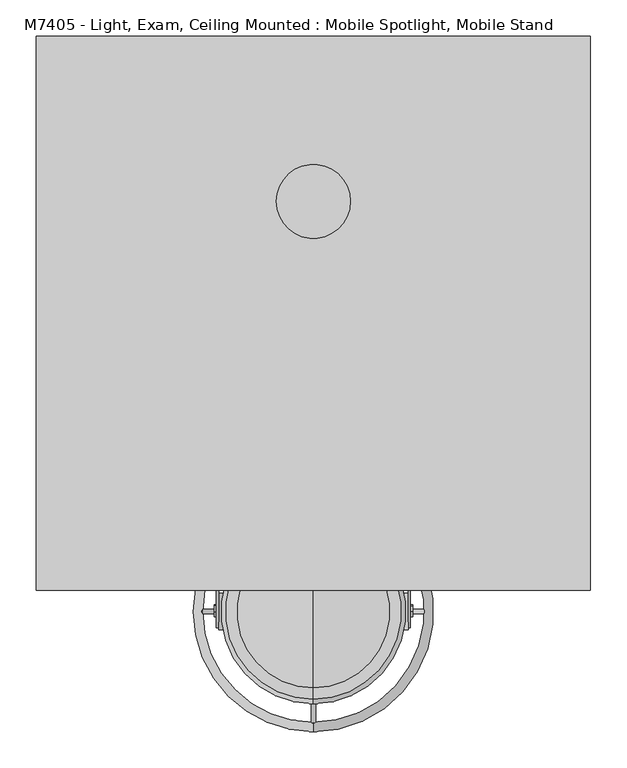
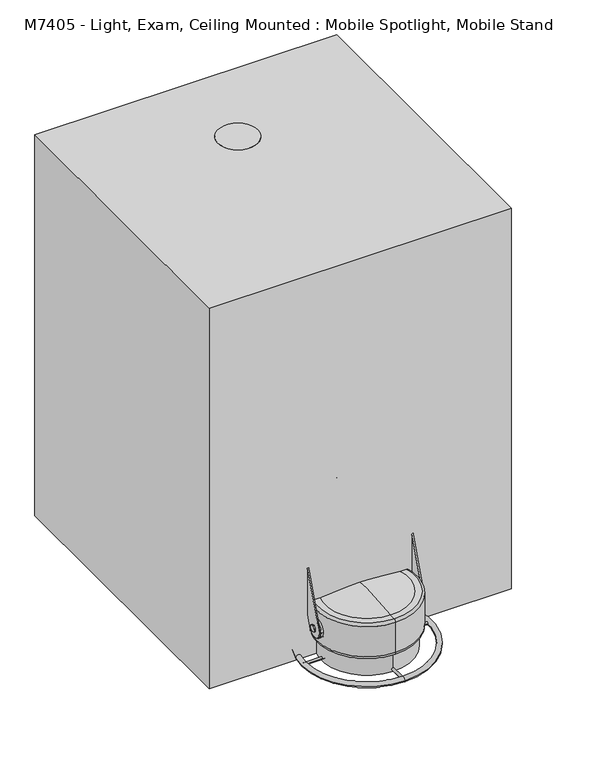
"""IFC4 building model written with IfcOpenShell, lengths in millimetres: proxy geometry, M7405 - Light, Exam, Ceiling Mounted : Mobile Spotlight, Mobile Stand."""

from ifc_helpers import new_model, si_unit, point, frame, frame_2d, origin, origin_with_axes, place, context, project, spatial, polyline, circle_curve, ellipse_curve, trimmed, segment, composite_curve, outline, extrude, source, transform, mapped, element, save
from ifc_brep_helpers import plane_surface, cylinder_surface, revolved_surface, advanced_brep


def m7405_light_exam_ceiling_mounted_mobile_spotlight_mobile_c4bc05fb(model_context):
    return source(origin(), model_context, "Body", "SolidModel", [
        extrude(outline(composite_curve([segment(trimmed(circle_curve(frame_2d((0.0, 154.0513373)), 50.8), [point((-50.8, 154.0513373))], [point((50.8, 154.0513373))], False, "CARTESIAN"), True, "CONTINUOUS"), segment(trimmed(circle_curve(frame_2d((0.0, 154.0513373)), 50.8), [point((50.8, 154.0513373))], [point((-50.8, 154.0513373))], False, "CARTESIAN"), True, "CONTINUOUS")], self_intersect=False)), frame((0.0, 0.0, 812.8), z_axis=(0.0, 0.0, 1.0), x_axis=(1.0, 0.0, 0.0)), (0.0, 0.0, 1.0), 203.2),
        extrude(outline(composite_curve([segment(polyline([(-320.8438779, 289.113013), (-347.9441775, 298.9767153), (-321.0290623, 372.9253866)]), True, "CONTINUOUS"), segment(trimmed(circle_curve(frame_2d((-301.8214919, 347.6443316)), 31.75), [point((-321.0290623, 372.9253866))], [point((-310.6414379, 317.1439865))], False, "CARTESIAN"), True, "CONTINUOUS"), segment(polyline([(-310.6414379, 317.1439865), (-320.8438779, 289.113013)]), True, "CONTINUOUS")], self_intersect=False)), frame((3.0328617, 0.0, 0.0), z_axis=(1.0, 0.0, 0.0), x_axis=(0.0, 1.0, 0.0)), (0.0, 0.0, 1.0), 3.175),
        extrude(outline(polyline([(-410.2378307, 101.7878967), (-401.8641443, 98.740124), (-400.3167496, 89.9644126), (-407.1430413, 84.2364737), (-415.5167277, 87.2842463), (-417.0641224, 96.0599578), (-410.2378307, 101.7878967)])), frame((133.35, 0.0, 0.0), z_axis=(1.0, 0.0, 0.0), x_axis=(0.0, 1.0, 0.0)), (0.0, 0.0, 1.0), 3.175),
        extrude(outline(composite_curve([segment(trimmed(circle_curve(frame_2d((-409.7956194, 93.9925613)), 25.4), [point((-384.3956194, 93.9925613))], [point((-435.1956194, 93.9925613))], False, "CARTESIAN"), True, "CONTINUOUS"), segment(trimmed(circle_curve(frame_2d((-409.7956194, 93.9925613)), 25.4), [point((-435.1956194, 93.9925613))], [point((-384.3956194, 93.9925613))], False, "CARTESIAN"), True, "CONTINUOUS")], self_intersect=False)), frame((119.7355643, 0.0, 0.0), z_axis=(1.0, 0.0, 0.0), x_axis=(0.0, 1.0, 0.0)), (0.0, 0.0, 1.0), 10.4394357),
        extrude(outline(composite_curve([segment(polyline([(-318.7447163, 288.3489806), (-393.8187187, 82.0848543)]), True, "CONTINUOUS"), segment(trimmed(circle_curve(frame_2d((-411.8037803, 91.5808184)), 20.3380376), [point((-393.8187187, 82.0848543))], [point((-431.8954182, 94.7370604))], False, "CARTESIAN"), True, "CONTINUOUS"), segment(polyline([(-431.8954182, 94.7370604), (-359.2691307, 294.2761451)]), True, "CONTINUOUS"), segment(trimmed(circle_curve(frame_2d((-351.478653, 291.4406431)), 8.2904533), [point((-359.2691307, 294.2761451))], [point((-348.6431509, 299.2311209))], False, "CARTESIAN"), True, "CONTINUOUS"), segment(polyline([(-348.6431509, 299.2311209), (-318.7447163, 288.3489806)]), True, "CONTINUOUS")], self_intersect=False), holes=[composite_curve([segment(trimmed(circle_curve(frame_2d((-408.9799804, 93.8561619)), 4.6125063), [point((-404.3674741, 93.8561619))], [point((-413.5924866, 93.8561619))], True, "CARTESIAN"), True, "CONTINUOUS"), segment(trimmed(circle_curve(frame_2d((-408.9799804, 93.8561619)), 4.6125063), [point((-413.5924866, 93.8561619))], [point((-404.3674741, 93.8561619))], True, "CARTESIAN"), True, "CONTINUOUS")], self_intersect=False)]), frame((130.175, 0.0, 0.0), z_axis=(1.0, 0.0, 0.0), x_axis=(0.0, 1.0, 0.0)), (0.0, 0.0, 1.0), 3.175),
        extrude(outline(polyline([(-410.2378307, 101.7878967), (-401.8641443, 98.740124), (-400.3167496, 89.9644126), (-407.1430413, 84.2364737), (-415.5167277, 87.2842463), (-417.0641224, 96.0599578), (-410.2378307, 101.7878967)])), frame((-136.525, 0.0, 0.0), z_axis=(1.0, 0.0, 0.0), x_axis=(0.0, 1.0, 0.0)), (0.0, 0.0, 1.0), 3.175),
        extrude(outline(composite_curve([segment(polyline([(-318.7447163, 288.3489806), (-329.6038559, 258.5137399), (-367.2927683, 272.2313822), (-359.5235363, 293.5771717)]), True, "CONTINUOUS"), segment(trimmed(circle_curve(frame_2d((-351.034085, 290.4872641)), 9.0342853), [point((-359.5235363, 293.5771717))], [point((-347.9441775, 298.9767153))], False, "CARTESIAN"), True, "CONTINUOUS"), segment(polyline([(-347.9441775, 298.9767153), (-318.7447163, 288.3489806)]), True, "CONTINUOUS")], self_intersect=False)), frame((-130.175, 0.0, 0.0), z_axis=(1.0, 0.0, 0.0), x_axis=(0.0, 1.0, 0.0)), (0.0, 0.0, 1.0), 260.35),
        extrude(outline(composite_curve([segment(trimmed(circle_curve(frame_2d((-409.7956194, 93.9925613)), 25.4), [point((-384.3956194, 93.9925613))], [point((-435.1956194, 93.9925613))], False, "CARTESIAN"), True, "CONTINUOUS"), segment(trimmed(circle_curve(frame_2d((-409.7956194, 93.9925613)), 25.4), [point((-435.1956194, 93.9925613))], [point((-384.3956194, 93.9925613))], False, "CARTESIAN"), True, "CONTINUOUS")], self_intersect=False)), frame((-130.175, 0.0, 0.0), z_axis=(1.0, 0.0, 0.0), x_axis=(0.0, 1.0, 0.0)), (0.0, 0.0, 1.0), 10.4394357),
        extrude(outline(composite_curve([segment(polyline([(-318.7447163, 288.3489806), (-393.8187187, 82.0848543)]), True, "CONTINUOUS"), segment(trimmed(circle_curve(frame_2d((-411.8037803, 91.5808184)), 20.3380376), [point((-393.8187187, 82.0848543))], [point((-431.8954182, 94.7370604))], False, "CARTESIAN"), True, "CONTINUOUS"), segment(polyline([(-431.8954182, 94.7370604), (-359.2019908, 294.4606105)]), True, "CONTINUOUS"), segment(trimmed(circle_curve(frame_2d((-351.5959784, 291.6922483)), 8.0941494), [point((-359.2019908, 294.4606105))], [point((-348.8276163, 299.2982608))], False, "CARTESIAN"), True, "CONTINUOUS"), segment(polyline([(-348.8276163, 299.2982608), (-318.7447163, 288.3489806)]), True, "CONTINUOUS")], self_intersect=False), holes=[composite_curve([segment(trimmed(circle_curve(frame_2d((-408.9799804, 93.8561619)), 4.6125063), [point((-404.3674741, 93.8561619))], [point((-413.5924866, 93.8561619))], True, "CARTESIAN"), True, "CONTINUOUS"), segment(trimmed(circle_curve(frame_2d((-408.9799804, 93.8561619)), 4.6125063), [point((-413.5924866, 93.8561619))], [point((-404.3674741, 93.8561619))], True, "CARTESIAN"), True, "CONTINUOUS")], self_intersect=False)]), frame((-133.35, 0.0, 0.0), z_axis=(1.0, 0.0, 0.0), x_axis=(0.0, 1.0, 0.0)), (0.0, 0.0, 1.0), 3.175),
        extrude(outline(composite_curve([segment(trimmed(circle_curve(frame_2d((6.6703739, 0.0)), 3.1115171), [point((6.6703739, -3.1115171))], [point((6.6703739, 3.1115171))], False, "CARTESIAN"), True, "CONTINUOUS"), segment(trimmed(circle_curve(frame_2d((6.6703739, 0.0)), 3.1115171), [point((6.6703739, 3.1115171))], [point((6.6703739, -3.1115171))], False, "CARTESIAN"), True, "CONTINUOUS")], self_intersect=False)), frame((0.0, -303.7762367, 0.0), z_axis=(0.0, 1.0, 0.0), x_axis=(0.0, 0.0, 1.0)), (0.0, 0.0, 1.0), 47.9759895),
        extrude(outline(composite_curve([segment(trimmed(circle_curve(frame_2d((6.6703739, 0.0)), 3.1115171), [point((6.6703739, -3.1115171))], [point((6.6703739, 3.1115171))], False, "CARTESIAN"), True, "CONTINUOUS"), segment(trimmed(circle_curve(frame_2d((6.6703739, 0.0)), 3.1115171), [point((6.6703739, 3.1115171))], [point((6.6703739, -3.1115171))], False, "CARTESIAN"), True, "CONTINUOUS")], self_intersect=False)), frame((0.0, -563.6159059, 0.0), z_axis=(0.0, 1.0, 0.0), x_axis=(0.0, 0.0, 1.0)), (0.0, 0.0, 1.0), 47.9759895),
        extrude(outline(composite_curve([segment(trimmed(circle_curve(frame_2d((-409.7956194, 6.6703739)), 3.1115171), [point((-406.6841023, 6.6703739))], [point((-412.9071365, 6.6703739))], False, "CARTESIAN"), True, "CONTINUOUS"), segment(trimmed(circle_curve(frame_2d((-409.7956194, 6.6703739)), 3.1115171), [point((-412.9071365, 6.6703739))], [point((-406.6841023, 6.6703739))], False, "CARTESIAN"), True, "CONTINUOUS")], self_intersect=False)), frame((106.1163464, 0.0, 0.0), z_axis=(1.0, 0.0, 0.0), x_axis=(0.0, 1.0, 0.0)), (0.0, 0.0, 1.0), 48.2948153),
        extrude(outline(composite_curve([segment(trimmed(circle_curve(frame_2d((-409.7956194, 6.6703739)), 3.1115171), [point((-406.6841023, 6.6703739))], [point((-412.9071365, 6.6703739))], False, "CARTESIAN"), True, "CONTINUOUS"), segment(trimmed(circle_curve(frame_2d((-409.7956194, 6.6703739)), 3.1115171), [point((-412.9071365, 6.6703739))], [point((-406.6841023, 6.6703739))], False, "CARTESIAN"), True, "CONTINUOUS")], self_intersect=False)), frame((-158.9234108, 0.0, 0.0), z_axis=(1.0, 0.0, 0.0), x_axis=(0.0, 1.0, 0.0)), (0.0, 0.0, 1.0), 51.44221),
        advanced_brep(
        [(0.0, -562.2748808, 6.35), (0.0, -257.2936395, 6.35), (0.0, -244.5936395, 6.35), (0.0, -574.9748808, 6.35)],
        [
            (0, 1, circle_curve(frame((0.0, -409.7842601, 6.35), z_axis=(0.0, 0.0, -1.0), x_axis=(0.0, 1.0, 0.0)), 152.4906207)),
            (1, 2, circle_curve(frame((0.0, -250.9436395, 6.35), z_axis=(-1.0, 0.0, 0.0), x_axis=(0.0, -1.0, 0.0)), 6.35)),
            (2, 3, circle_curve(frame((0.0, -409.7842601, 6.35), z_axis=(0.0, 0.0, 1.0), x_axis=(0.0, 1.0, 0.0)), 165.1906207)),
            (3, 0, circle_curve(frame((0.0, -568.6248808, 6.35), z_axis=(-1.0, 0.0, 0.0), x_axis=(0.0, 1.0, 0.0)), 6.35)),
            (2, 1, circle_curve(frame((0.0, -250.9436395, 6.35), z_axis=(-1.0, 0.0, 0.0), x_axis=(0.0, -1.0, 0.0)), 6.35)),
            (0, 3, circle_curve(frame((0.0, -568.6248808, 6.35), z_axis=(-1.0, 0.0, 0.0), x_axis=(0.0, 1.0, 0.0)), 6.35)),
            (1, 0, circle_curve(frame((0.0, -409.7842601, 6.35), z_axis=(0.0, 0.0, -1.0), x_axis=(0.0, -1.0, 0.0)), 152.4906207)),
            (3, 2, circle_curve(frame((0.0, -409.7842601, 6.35), z_axis=(0.0, 0.0, 1.0), x_axis=(0.0, -1.0, 0.0)), 165.1906207)),
        ],
        [
            revolved_surface(trimmed(ellipse_curve(frame((0.0, -250.9436395, 6.35), z_axis=(1.0, 0.0, 0.0), x_axis=(0.0, -1.0, 0.0)), 6.35, 6.35), [point((0.0, -244.5936395, 6.35))], [point((0.0, -257.2936395, 6.35))], True, "CARTESIAN"), (0.0, -409.7842601, 6.35), (0.0, 0.0, 1.0)),
            revolved_surface(trimmed(ellipse_curve(frame((0.0, -250.9436395, 6.35), z_axis=(1.0, 0.0, 0.0), x_axis=(0.0, -1.0, 0.0)), 6.35, 6.35), [point((0.0, -257.2936395, 6.35))], [point((0.0, -244.5936395, 6.35))], True, "CARTESIAN"), (0.0, -409.7842601, 6.35), (0.0, 0.0, 1.0)),
            revolved_surface(trimmed(ellipse_curve(frame((0.0, -568.6248808, 6.35), z_axis=(-1.0, 0.0, 0.0), x_axis=(0.0, 1.0, 0.0)), 6.35, 6.35), [point((0.0, -574.9748808, 6.35))], [point((0.0, -562.2748808, 6.35))], True, "CARTESIAN"), (0.0, -409.7842601, 6.35), (0.0, 0.0, 1.0)),
            revolved_surface(trimmed(ellipse_curve(frame((0.0, -568.6248808, 6.35), z_axis=(-1.0, 0.0, 0.0), x_axis=(0.0, 1.0, 0.0)), 6.35, 6.35), [point((0.0, -562.2748808, 6.35))], [point((0.0, -574.9748808, 6.35))], True, "CARTESIAN"), (0.0, -409.7842601, 6.35), (0.0, 0.0, 1.0)),
        ],
        [
            (0, [[1, 2, 3, 4]]),
            (1, [[-3, 5, -1, 6]]),
            (2, [[7, -4, 8, -2]]),
            (3, [[-8, -6, -7, -5]]),
        ],
    ),
        advanced_brep(
        [(0.0, -409.7956194, 49.822953), (0.0, -524.0956194, 49.822953), (0.0, -295.4956194, 49.822953), (0.0, -301.8456194, 43.472953), (0.0, -517.7456194, 43.472953), (0.0, -409.7956194, 43.472953), (0.0, -301.8456194, 0.2035953), (0.0, -517.7456194, 0.2035953), (0.0, -295.4956194, 0.2035953), (0.0, -524.0956194, 0.2035953)],
        [
            (0, 1),
            (1, 2, circle_curve(frame((0.0, -409.7956194, 49.822953), z_axis=(0.0, 0.0, 1.0), x_axis=(0.0, -1.0, 0.0)), 114.3)),
            (2, 0),
            (2, 1, circle_curve(frame((0.0, -409.7956194, 49.822953), z_axis=(0.0, 0.0, 1.0), x_axis=(0.0, -1.0, 0.0)), 114.3)),
            (3, 4, circle_curve(frame((0.0, -409.7956194, 43.472953), z_axis=(0.0, 0.0, -1.0), x_axis=(0.0, -1.0, 0.0)), 107.95)),
            (4, 5),
            (5, 3),
            (4, 3, circle_curve(frame((0.0, -409.7956194, 43.472953), z_axis=(0.0, 0.0, -1.0), x_axis=(0.0, -1.0, 0.0)), 107.95)),
            (6, 7, circle_curve(frame((0.0, -409.7956194, 0.2035953), z_axis=(0.0, 0.0, -1.0), x_axis=(0.0, -1.0, 0.0)), 107.95)),
            (7, 4),
            (3, 6),
            (7, 6, circle_curve(frame((0.0, -409.7956194, 0.2035953), z_axis=(0.0, 0.0, -1.0), x_axis=(0.0, -1.0, 0.0)), 107.95)),
            (8, 9, circle_curve(frame((0.0, -409.7956194, 0.2035953), z_axis=(0.0, 0.0, -1.0), x_axis=(0.0, -1.0, 0.0)), 114.3)),
            (9, 7),
            (6, 8),
            (9, 8, circle_curve(frame((0.0, -409.7956194, 0.2035953), z_axis=(0.0, 0.0, -1.0), x_axis=(0.0, -1.0, 0.0)), 114.3)),
            (1, 9),
            (8, 2),
        ],
        [
            plane_surface(frame((0.0, -409.7956194, 49.822953), z_axis=(0.0, 0.0, 1.0), x_axis=(0.0, -1.0, 0.0))),
            plane_surface(frame((0.0, -409.7956194, 43.472953), z_axis=(0.0, 0.0, -1.0), x_axis=(0.0, -1.0, 0.0))),
            revolved_surface(polyline([(0.0, -517.7456194, 43.472953), (0.0, -517.7456194, 0.20359530000000348)]), (0.0, -409.7956194, 49.822953), (0.0, 0.0, 1.0)),
            plane_surface(frame((0.0, -409.7956194, 0.2035953), z_axis=(0.0, 0.0, -1.0), x_axis=(0.0, -1.0, 0.0))),
            cylinder_surface(frame((0.0, -409.7956194, 49.822953), z_axis=(0.0, 0.0, 1.0), x_axis=(0.0, -1.0, 0.0)), 114.3),
        ],
        [
            (0, [[1, 2, 3]]),
            (0, [[-3, 4, -1]]),
            (1, [[5, 6, 7]]),
            (1, [[8, -7, -6]]),
            (2, [[9, 10, -5, 11]]),
            (2, [[12, -11, -8, -10]]),
            (3, [[13, 14, -9, 15]]),
            (3, [[16, -15, -12, -14]]),
            (4, [[-2, 17, -13, 18]]),
            (4, [[-4, -18, -16, -17]]),
        ],
    ),
        advanced_brep(
        [(0.0, -305.0372075, 145.072953), (0.0, -514.5313128, 145.072953), (0.0, -409.7842601, 145.072953), (0.0, -409.7842601, 154.2371327)],
        [
            (0, 1, circle_curve(frame((0.0, -409.7842601, 145.072953), z_axis=(0.0, 0.0, -1.0), x_axis=(0.0, -1.0, 0.0)), 104.7470526)),
            (1, 2),
            (2, 0),
            (1, 0, circle_curve(frame((0.0, -409.7842601, 145.072953), z_axis=(0.0, 0.0, -1.0), x_axis=(0.0, -1.0, 0.0)), 104.7470526)),
            (3, 1, circle_curve(frame((0.0, -399.752343, -563.6424396), z_axis=(1.0, 0.0, 0.0), x_axis=(0.0, -1.0, 0.0)), 717.9496637)),
            (0, 3, circle_curve(frame((0.0, -419.8161773, -563.6424396), z_axis=(1.0, 0.0, 0.0), x_axis=(0.0, 1.0, 0.0)), 717.9496637)),
        ],
        [
            plane_surface(frame((0.0, -409.7842601, 145.072953), z_axis=(0.0, 0.0, -1.0), x_axis=(0.0, -1.0, 0.0))),
            revolved_surface(trimmed(ellipse_curve(frame((0.0, -399.752343, -563.6424396), z_axis=(-1.0, 0.0, 0.0), x_axis=(0.0, -1.0, 0.0)), 717.9496637, 717.9496637), [point((0.0, -514.5313128, 145.072953))], [point((0.0, -409.7842601, 154.2371327))], True, "CARTESIAN"), (0.0, -409.7842601, 154.2371327), (0.0, 0.0, 1.0)),
        ],
        [
            (0, [[1, 2, 3]]),
            (0, [[4, -3, -2]]),
            (1, [[5, -1, 6]]),
            (1, [[-6, -4, -5]]),
        ],
    ),
        advanced_brep(
        [(0.0, -409.7956194, 145.072953), (0.0, -530.4456194, 145.072953), (0.0, -289.1456194, 145.072953), (0.0, -291.5731093, 49.822953), (0.0, -528.0181295, 49.822953), (0.0, -409.7956194, 49.822953), (0.0, -282.7956194, 58.6004429), (0.0, -536.7956194, 58.6004429), (0.0, -282.7956194, 138.722953), (0.0, -536.7956194, 138.722953)],
        [
            (0, 1),
            (1, 2, circle_curve(frame((0.0, -409.7956194, 145.072953), z_axis=(0.0, 0.0, 1.0), x_axis=(0.0, -1.0, 0.0)), 120.65)),
            (2, 0),
            (2, 1, circle_curve(frame((0.0, -409.7956194, 145.072953), z_axis=(0.0, 0.0, 1.0), x_axis=(0.0, -1.0, 0.0)), 120.65)),
            (3, 4, circle_curve(frame((0.0, -409.7956194, 49.822953), z_axis=(0.0, 0.0, -1.0), x_axis=(0.0, -1.0, 0.0)), 118.2225101)),
            (4, 5),
            (5, 3),
            (4, 3, circle_curve(frame((0.0, -409.7956194, 49.822953), z_axis=(0.0, 0.0, -1.0), x_axis=(0.0, -1.0, 0.0)), 118.2225101)),
            (6, 7, circle_curve(frame((0.0, -409.7956194, 58.6004429), z_axis=(0.0, 0.0, -1.0), x_axis=(0.0, -1.0, 0.0)), 127.0)),
            (7, 4, circle_curve(frame((0.0, -528.0181295, 58.6004429), z_axis=(1.0, 0.0, 0.0), x_axis=(0.0, -1.0, 0.0)), 8.7774899)),
            (3, 6, circle_curve(frame((0.0, -291.5731093, 58.6004429), z_axis=(1.0, 0.0, 0.0), x_axis=(0.0, 1.0, 0.0)), 8.7774899)),
            (7, 6, circle_curve(frame((0.0, -409.7956194, 58.6004429), z_axis=(0.0, 0.0, -1.0), x_axis=(0.0, -1.0, 0.0)), 127.0)),
            (8, 9, circle_curve(frame((0.0, -409.7956194, 138.722953), z_axis=(0.0, 0.0, -1.0), x_axis=(0.0, -1.0, 0.0)), 127.0)),
            (9, 7),
            (6, 8),
            (9, 8, circle_curve(frame((0.0, -409.7956194, 138.722953), z_axis=(0.0, 0.0, -1.0), x_axis=(0.0, -1.0, 0.0)), 127.0)),
            (1, 9, circle_curve(frame((0.0, -530.4456194, 138.722953), z_axis=(1.0, 0.0, 0.0), x_axis=(0.0, -1.0, 0.0)), 6.35)),
            (8, 2, circle_curve(frame((0.0, -289.1456194, 138.722953), z_axis=(1.0, 0.0, 0.0), x_axis=(0.0, 1.0, 0.0)), 6.35)),
        ],
        [
            plane_surface(frame((0.0, -409.7956194, 145.072953), z_axis=(0.0, 0.0, 1.0), x_axis=(0.0, -1.0, 0.0))),
            plane_surface(frame((0.0, -409.7956194, 49.822953), z_axis=(0.0, 0.0, -1.0), x_axis=(0.0, -1.0, 0.0))),
            revolved_surface(trimmed(ellipse_curve(frame((0.0, -528.0181295, 58.6004429), z_axis=(-1.0, 0.0, 0.0), x_axis=(0.0, -1.0, 0.0)), 8.7774899, 8.7774899), [point((0.0, -528.0181295, 49.822953))], [point((0.0, -536.7956194, 58.6004429))], True, "CARTESIAN"), (0.0, -409.7956194, 145.072953), (0.0, 0.0, 1.0)),
            cylinder_surface(frame((0.0, -409.7956194, 145.072953), z_axis=(0.0, 0.0, 1.0), x_axis=(0.0, -1.0, 0.0)), 127.0),
            revolved_surface(trimmed(ellipse_curve(frame((0.0, -530.4456194, 138.722953), z_axis=(-1.0, 0.0, 0.0), x_axis=(0.0, -1.0, 0.0)), 6.35, 6.35), [point((0.0, -536.7956194, 138.722953))], [point((0.0, -530.4456194, 145.072953))], True, "CARTESIAN"), (0.0, -409.7956194, 145.072953), (0.0, 0.0, 1.0)),
        ],
        [
            (0, [[1, 2, 3]]),
            (0, [[-3, 4, -1]]),
            (1, [[5, 6, 7]]),
            (1, [[8, -7, -6]]),
            (2, [[9, 10, -5, 11]]),
            (2, [[12, -11, -8, -10]]),
            (3, [[13, 14, -9, 15]]),
            (3, [[16, -15, -12, -14]]),
            (4, [[-2, 17, -13, 18]]),
            (4, [[-4, -18, -16, -17]]),
        ],
    ),
        extrude(outline(composite_curve([segment(polyline([(-320.8438779, 289.113013), (-347.9441775, 298.9767153), (-321.0290623, 372.9253866)]), True, "CONTINUOUS"), segment(trimmed(circle_curve(frame_2d((-301.8214919, 347.6443316)), 31.75), [point((-321.0290623, 372.9253866))], [point((-310.6414379, 317.1439865))], False, "CARTESIAN"), True, "CONTINUOUS"), segment(polyline([(-310.6414379, 317.1439865), (-320.8438779, 289.113013)]), True, "CONTINUOUS")], self_intersect=False)), frame((-6.2078617, 0.0, 0.0), z_axis=(1.0, 0.0, 0.0), x_axis=(0.0, 1.0, 0.0)), (0.0, 0.0, 1.0), 3.175),
        advanced_brep(
        [(18.8761969, -106.0950286, 407.9061734), (18.8761969, -120.4447949, 428.8652872), (18.8761969, 108.1187633, 585.0473059), (18.8761969, 122.1839845, 564.5037955), (18.8761969, -123.5489136, 411.3481583), (18.8761969, 125.4137888, 581.8017664)],
        [
            (0, 1, circle_curve(frame((18.8761969, -113.2699118, 418.3857303), z_axis=(0.0, 0.8251362275277749, 0.5649338067607851), x_axis=(0.0, -0.5649338067607852, 0.8251362275277752)), 12.7003961)),
            (1, 2),
            (2, 3, circle_curve(frame((18.8761969, 115.1513739, 574.7755507), z_axis=(0.0, -0.8251362275277749, -0.5649338067607851), x_axis=(0.0, -0.5649338067607852, 0.8251362275277752)), 12.4485568)),
            (3, 0),
            (1, 0, circle_curve(frame((18.8761969, -113.2699118, 418.3857303), z_axis=(0.0, 0.8251362275277749, 0.5649338067607851), x_axis=(0.0, -0.5649338067607852, 0.8251362275277752)), 12.7003961)),
            (3, 2, circle_curve(frame((18.8761969, 115.1513739, 574.7755507), z_axis=(0.0, -0.8251362275277749, -0.5649338067607851), x_axis=(0.0, -0.5649338067607852, 0.8251362275277752)), 12.4485568)),
            (4, 1, circle_curve(frame((18.8761969, -113.4215288, 418.5871343), z_axis=(-1.0000000000000004, 0.0, 0.0), x_axis=(0.0, -0.9271838545667876, -0.37460659341591207)), 12.448562)),
            (0, 4, circle_curve(frame((18.8761969, -113.1369837, 418.1715308), z_axis=(-1.0000000000000004, 0.0, 0.0), x_axis=(0.0, -0.6846057598694317, -0.7289135432639445)), 12.448562)),
            (2, 5, circle_curve(frame((18.8761969, 115.1420294, 574.7691529), z_axis=(-1.0000000000000004, 0.0, 0.0), x_axis=(0.0, -0.9271838545667876, -0.37460659341591207)), 12.448562)),
            (5, 3, circle_curve(frame((18.8761969, 115.1420294, 574.7691529), z_axis=(-1.0000000000000004, 0.0, 0.0), x_axis=(0.0, -0.6846057598694317, -0.7289135432639445)), 12.448562)),
        ],
        [
            revolved_surface(polyline([(18.8761969, 108.1187633, 585.0473059), (18.8761969, -120.4447949, 428.8652872)]), (18.8761969, 125.4137888, 581.8017664), (0.0, -0.8251362275277749, -0.5649338067607851)),
            revolved_surface(trimmed(ellipse_curve(frame((18.8761969, -113.4215288, 418.5871343), z_axis=(1.0000000000000004, 0.0, 0.0), x_axis=(0.0, -0.9271838545667876, -0.37460659341591207)), 12.448562, 12.448562), [point((18.8761969, -120.4447949, 428.8652872))], [point((18.8761969, -123.5489136, 411.3481583))], True, "CARTESIAN"), (18.8761969, 125.4137888, 581.8017664), (0.0, -0.8251362275277749, -0.5649338067607851)),
            revolved_surface(trimmed(ellipse_curve(frame((18.8761969, -113.4215288, 418.5871343), z_axis=(1.0000000000000002, 0.0, 0.0), x_axis=(0.0, -0.9271838545667875, -0.3746065934159119)), 12.448562, 12.448562), [point((18.8761969, -120.4447949, 428.8652872))], [point((18.8761969, -123.5489136, 411.3481583))], True, "CARTESIAN"), (18.8761969, 125.4137888, 581.8017664), (0.0, -0.8251362275277749, -0.5649338067607851)),
            revolved_surface(trimmed(ellipse_curve(frame((18.8761969, 115.1420294, 574.7691529), z_axis=(1.0000000000000004, 0.0, 0.0), x_axis=(0.0, -0.9271838545667876, -0.37460659341591207)), 12.448562, 12.448562), [point((18.8761969, 125.4137888, 581.8017664))], [point((18.8761969, 108.1187633, 585.0473059))], True, "CARTESIAN"), (18.8761969, 125.4137888, 581.8017664), (0.0, -0.8251362275277749, -0.5649338067607851)),
            revolved_surface(trimmed(ellipse_curve(frame((18.8761969, 115.1420294, 574.7691529), z_axis=(1.0000000000000002, 0.0, 0.0), x_axis=(0.0, -0.9271838545667875, -0.3746065934159119)), 12.448562, 12.448562), [point((18.8761969, 125.4137888, 581.8017664))], [point((18.8761969, 108.1187633, 585.0473059))], True, "CARTESIAN"), (18.8761969, 125.4137888, 581.8017664), (0.0, -0.8251362275277749, -0.5649338067607851)),
        ],
        [
            (0, [[1, 2, 3, 4]]),
            (0, [[5, -4, 6, -2]]),
            (1, [[7, -1, 8]]),
            (2, [[-8, -5, -7]]),
            (3, [[-3, 9, 10]]),
            (4, [[-6, -10, -9]]),
        ],
    ),
        extrude(outline(composite_curve([segment(trimmed(circle_curve(frame_2d((109.6013373, 535.7554119)), 31.75), [point((141.3513373, 535.7554119))], [point((81.2198322, 549.9875118))], False, "CARTESIAN"), True, "CONTINUOUS"), segment(polyline([(81.2198322, 549.9875118), (122.3013373, 591.0690169), (141.3513373, 591.0690169), (141.3513373, 535.7554119)]), True, "CONTINUOUS")], self_intersect=False), holes=[composite_curve([segment(trimmed(circle_curve(frame_2d((110.3156924, 541.7019296)), 6.35), [point((116.6656924, 541.7019296))], [point((103.9656924, 541.7019296))], True, "CARTESIAN"), True, "CONTINUOUS"), segment(trimmed(circle_curve(frame_2d((110.3156924, 541.7019296)), 6.35), [point((103.9656924, 541.7019296))], [point((116.6656924, 541.7019296))], True, "CARTESIAN"), True, "CONTINUOUS")], self_intersect=False), polyline([(92.6653688, 533.6533171), (85.9274836, 526.915432), (90.4176117, 522.4253039), (97.1554968, 529.1631891), (92.6653688, 533.6533171)]), polyline([(127.9660159, 533.6533171), (123.4758879, 529.1631891), (130.213773, 522.4253039), (134.7039011, 526.915432), (127.9660159, 533.6533171)])]), frame((3.0328617, 0.0, 0.0), z_axis=(1.0, 0.0, 0.0), x_axis=(0.0, 1.0, 0.0)), (0.0, 0.0, 1.0), 3.175),
        extrude(outline(composite_curve([segment(polyline([(118.3072859, 564.4608506), (-304.9348981, 358.0318446)]), True, "CONTINUOUS"), segment(trimmed(circle_curve(frame_2d((-309.5522176, 366.3926041)), 9.5510176), [point((-304.9348981, 358.0318446))], [point((-313.2978803, 375.178499))], False, "CARTESIAN"), True, "CONTINUOUS"), segment(polyline([(-313.2978803, 375.178499), (109.9443037, 581.607505)]), True, "CONTINUOUS"), segment(trimmed(circle_curve(frame_2d((114.5616232, 573.2467455)), 9.5510176), [point((109.9443037, 581.607505))], [point((118.3072859, 564.4608506))], False, "CARTESIAN"), True, "CONTINUOUS")], self_intersect=False)), frame((-3.175, 0.0, 0.0), z_axis=(1.0, 0.0, 0.0), x_axis=(0.0, 1.0, 0.0)), (0.0, 0.0, 1.0), 6.35),
        extrude(outline(composite_curve([segment(polyline([(111.392791, 518.1373687), (-284.0302118, 325.276684)]), True, "CONTINUOUS"), segment(trimmed(circle_curve(frame_2d((-285.8232893, 328.9530377)), 4.0903183), [point((-284.0302118, 325.276684))], [point((-287.6163669, 332.6293915))], False, "CARTESIAN"), True, "CONTINUOUS"), segment(polyline([(-287.6163669, 332.6293915), (107.806636, 525.4900762)]), True, "CONTINUOUS"), segment(trimmed(circle_curve(frame_2d((109.5997135, 521.8137225)), 4.0903183), [point((107.806636, 525.4900762))], [point((111.392791, 518.1373687))], False, "CARTESIAN"), True, "CONTINUOUS")], self_intersect=False)), frame((-3.0328617, 0.0, 0.0), z_axis=(1.0, 0.0, 0.0), x_axis=(0.0, 1.0, 0.0)), (0.0, 0.0, 1.0), 6.35),
        advanced_brep(
        [(-18.8761969, 125.4137888, 581.8017664), (-18.8761969, 108.1187633, 585.0473059), (-18.8761969, 122.1839845, 564.5037955), (-18.8761969, -106.0950286, 407.9061734), (-18.8761969, -120.4447949, 428.8652872), (-18.8761969, -123.5489136, 411.3481583)],
        [
            (0, 1, circle_curve(frame((-18.8761969, 115.1420294, 574.7691529), z_axis=(1.0000000000000004, 0.0, 0.0), x_axis=(0.0, -0.9271838545667876, -0.37460659341591207)), 12.448562)),
            (1, 2, circle_curve(frame((-18.8761969, 115.1513739, 574.7755507), z_axis=(0.0, 0.8251362275277749, 0.5649338067607851), x_axis=(0.0, -0.5649338067607852, 0.8251362275277752)), 12.4485568)),
            (2, 0, circle_curve(frame((-18.8761969, 115.1420294, 574.7691529), z_axis=(1.0000000000000004, 0.0, 0.0), x_axis=(0.0, -0.6846057598694317, -0.7289135432639445)), 12.448562)),
            (2, 1, circle_curve(frame((-18.8761969, 115.1513739, 574.7755507), z_axis=(0.0, 0.8251362275277749, 0.5649338067607851), x_axis=(0.0, -0.5649338067607852, 0.8251362275277752)), 12.4485568)),
            (3, 4, circle_curve(frame((-18.8761969, -113.2699118, 418.3857303), z_axis=(0.0, -0.8251362275277749, -0.5649338067607851), x_axis=(0.0, -0.5649338067607852, 0.8251362275277752)), 12.7003961)),
            (4, 5, circle_curve(frame((-18.8761969, -113.4215288, 418.5871343), z_axis=(1.0000000000000004, 0.0, 0.0), x_axis=(0.0, -0.9271838545667876, -0.37460659341591207)), 12.448562)),
            (5, 3, circle_curve(frame((-18.8761969, -113.1369837, 418.1715308), z_axis=(1.0000000000000004, 0.0, 0.0), x_axis=(0.0, -0.6846057598694317, -0.7289135432639445)), 12.448562)),
            (4, 3, circle_curve(frame((-18.8761969, -113.2699118, 418.3857303), z_axis=(0.0, -0.8251362275277749, -0.5649338067607851), x_axis=(0.0, -0.5649338067607852, 0.8251362275277752)), 12.7003961)),
            (1, 4),
            (3, 2),
        ],
        [
            revolved_surface(trimmed(ellipse_curve(frame((-18.8761969, 115.1420294, 574.7691529), z_axis=(-1.0000000000000004, 0.0, 0.0), x_axis=(0.0, -0.9271838545667876, -0.37460659341591207)), 12.448562, 12.448562), [point((-18.8761969, 108.1187633, 585.0473059))], [point((-18.8761969, 125.4137888, 581.8017664))], True, "CARTESIAN"), (-18.8761969, 125.4137888, 581.8017664), (0.0, 0.8251362275277749, 0.5649338067607851)),
            revolved_surface(trimmed(ellipse_curve(frame((-18.8761969, 115.1420294, 574.7691529), z_axis=(-1.0000000000000002, 0.0, 0.0), x_axis=(0.0, -0.9271838545667875, -0.3746065934159119)), 12.448562, 12.448562), [point((-18.8761969, 108.1187633, 585.0473059))], [point((-18.8761969, 125.4137888, 581.8017664))], True, "CARTESIAN"), (-18.8761969, 125.4137888, 581.8017664), (0.0, 0.8251362275277749, 0.5649338067607851)),
            revolved_surface(trimmed(ellipse_curve(frame((-18.8761969, -113.4215288, 418.5871343), z_axis=(-1.0000000000000004, 0.0, 0.0), x_axis=(0.0, -0.9271838545667876, -0.37460659341591207)), 12.448562, 12.448562), [point((-18.8761969, -123.5489136, 411.3481583))], [point((-18.8761969, -120.4447949, 428.8652872))], True, "CARTESIAN"), (-18.8761969, 125.4137888, 581.8017664), (0.0, 0.8251362275277749, 0.5649338067607851)),
            revolved_surface(trimmed(ellipse_curve(frame((-18.8761969, -113.4215288, 418.5871343), z_axis=(-1.0000000000000002, 0.0, 0.0), x_axis=(0.0, -0.9271838545667875, -0.3746065934159119)), 12.448562, 12.448562), [point((-18.8761969, -123.5489136, 411.3481583))], [point((-18.8761969, -120.4447949, 428.8652872))], True, "CARTESIAN"), (-18.8761969, 125.4137888, 581.8017664), (0.0, 0.8251362275277749, 0.5649338067607851)),
            revolved_surface(polyline([(-18.8761969, -120.4447949, 428.8652872), (-18.8761969, 108.1187633, 585.0473059)]), (-18.8761969, 125.4137888, 581.8017664), (0.0, 0.8251362275277749, 0.5649338067607851)),
        ],
        [
            (0, [[1, 2, 3]]),
            (1, [[-3, 4, -1]]),
            (2, [[5, 6, 7]]),
            (3, [[8, -7, -6]]),
            (4, [[-2, 9, -5, 10]]),
            (4, [[-4, -10, -8, -9]]),
        ],
    ),
        extrude(outline(composite_curve([segment(trimmed(circle_curve(frame_2d((109.6013373, 535.7554119)), 31.75), [point((141.3513373, 535.7554119))], [point((81.2198322, 549.9875118))], False, "CARTESIAN"), True, "CONTINUOUS"), segment(polyline([(81.2198322, 549.9875118), (122.3013373, 591.0690169), (141.3513373, 591.0690169), (141.3513373, 535.7554119)]), True, "CONTINUOUS")], self_intersect=False), holes=[composite_curve([segment(trimmed(circle_curve(frame_2d((110.3156924, 541.7019296)), 6.35), [point((116.6656924, 541.7019296))], [point((103.9656924, 541.7019296))], True, "CARTESIAN"), True, "CONTINUOUS"), segment(trimmed(circle_curve(frame_2d((110.3156924, 541.7019296)), 6.35), [point((103.9656924, 541.7019296))], [point((116.6656924, 541.7019296))], True, "CARTESIAN"), True, "CONTINUOUS")], self_intersect=False), polyline([(92.6653688, 533.6533171), (85.9274836, 526.915432), (90.4176117, 522.4253039), (97.1554968, 529.1631891), (92.6653688, 533.6533171)]), polyline([(127.9660159, 533.6533171), (123.4758879, 529.1631891), (130.213773, 522.4253039), (134.7039011, 526.915432), (127.9660159, 533.6533171)])]), frame((-6.2078617, 0.0, 0.0), z_axis=(1.0, 0.0, 0.0), x_axis=(0.0, 1.0, 0.0)), (0.0, 0.0, 1.0), 3.175),
        extrude(outline(composite_curve([segment(trimmed(circle_curve(frame_2d((0.0, 154.2567718)), 19.05), [point((-19.05, 154.2567718))], [point((19.05, 154.2567718))], False, "CARTESIAN"), True, "CONTINUOUS"), segment(trimmed(circle_curve(frame_2d((0.0, 154.2567718)), 19.05), [point((19.05, 154.2567718))], [point((-19.05, 154.2567718))], False, "CARTESIAN"), True, "CONTINUOUS")], self_intersect=False)), frame((0.0, 0.0, 526.915432), z_axis=(0.0, 0.0, 1.0), x_axis=(1.0, 0.0, 0.0)), (0.0, 0.0, 1.0), 285.884568),
        extrude(outline(polyline([(381.0, 381.0), (381.0, -381.0), (-381.0, -381.0), (-381.0, 381.0), (381.0, 381.0)])), origin_with_axes(), (0.0, 0.0, 1.0), 1016.0),
    ])


if __name__ == "__main__":
    model = new_model("IFC4")
    model_context = context("Model", 3, world=origin())
    ifc_project = project(units=[si_unit("LENGTHUNIT", "METRE", prefix="MILLI")], contexts=[model_context])
    site = spatial("IfcSite", under=ifc_project)
    building = spatial("IfcBuilding", under=site)
    placement = place(None, origin())
    m7405_light_exam_ceiling_mounted_mobile_spotlight_mobile_shape = m7405_light_exam_ceiling_mounted_mobile_spotlight_mobile_c4bc05fb(model_context)
    element("IfcBuildingElementProxy", 1, Name="M7405 - Light, Exam, Ceiling Mounted : Mobile Spotlight, Mobile Stand", ObjectType="M7405 - Light, Exam, Ceiling Mounted : Mobile Spotlight, Mobile Stand", at=placement, inside=building, context=model_context, shape_type="MappedRepresentation", body=[
        mapped(m7405_light_exam_ceiling_mounted_mobile_spotlight_mobile_shape, transform((0.0, 0.0, 0.0), x_axis=(1.0, 0.0, 0.0), y_axis=(0.0, 1.0, 0.0), z_axis=(0.0, 0.0, 1.0))),
    ])
    save(model, "model.ifc")
